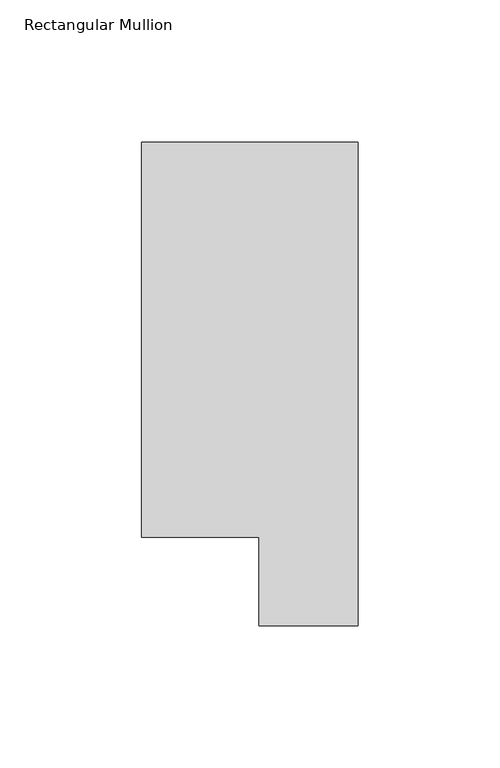
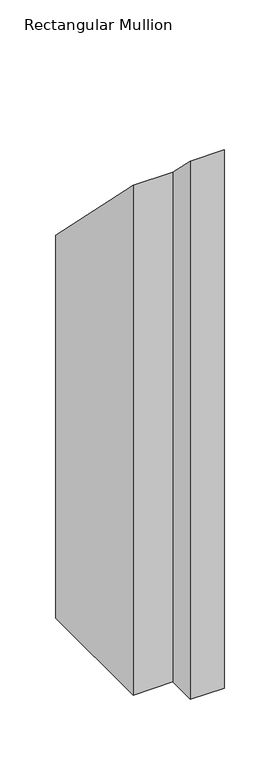
"""IFC4 building model written with IfcOpenShell, lengths in millimetres: member geometry, Rectangular Mullion."""

from ifc_helpers import new_model, si_unit, origin, place, context, project, spatial, faceted_brep, source, transform, mapped, element, save


def rectangular_mullion_5e810d0b(model_context):
    return source(origin(), model_context, "Body", "Brep", [
        faceted_brep([(-76.2, 190.0007313, -609.56825), (0.0, 190.0007313, -609.56825), (0.0, 19.5667313, -609.56825), (-34.9123, 19.5667313, -609.56825), (-34.9123, 50.820278, -609.56825), (-76.2, 50.820278, -609.56825), (-76.2, 50.820278, -50.820278), (-76.2, 190.0007313, -190.0007312), (-34.9123, 50.820278, -50.820278), (-34.9123, 19.5667313, -19.5667313), (0.0, 19.5667313, -19.5667313), (0.0, 190.0007313, -190.0007312)], [[[0, 1, 2, 3, 4, 5]], [[6, 7, 0, 5]], [[8, 6, 5, 4]], [[9, 8, 4, 3]], [[10, 9, 3, 2]], [[11, 10, 2, 1]], [[7, 11, 1, 0]], [[7, 6, 8, 9, 10, 11]]]),
    ])


if __name__ == "__main__":
    model = new_model("IFC4")
    model_context = context("Model", 3, world=origin())
    ifc_project = project(units=[si_unit("LENGTHUNIT", "METRE", prefix="MILLI")], contexts=[model_context])
    site = spatial("IfcSite", under=ifc_project)
    building = spatial("IfcBuilding", under=site)
    placement = place(None, origin())
    rectangular_mullion_shape = rectangular_mullion_5e810d0b(model_context)
    element("IfcMember", 1, ObjectType="Rectangular Mullion", at=placement, inside=building, context=model_context, shape_type="MappedRepresentation", body=[
        mapped(rectangular_mullion_shape, transform((0.0, 0.0, 0.0), x_axis=(1.0, 0.0, 0.0), y_axis=(0.0, 1.0, 0.0), z_axis=(0.0, 0.0, 1.0))),
    ])
    save(model, "model.ifc")
